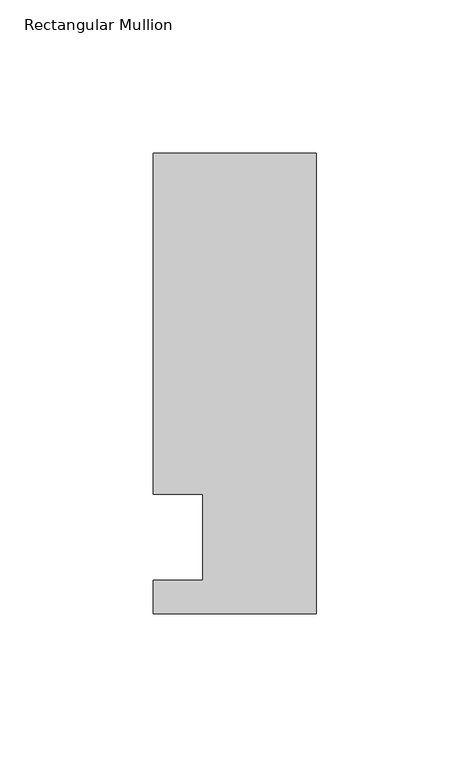
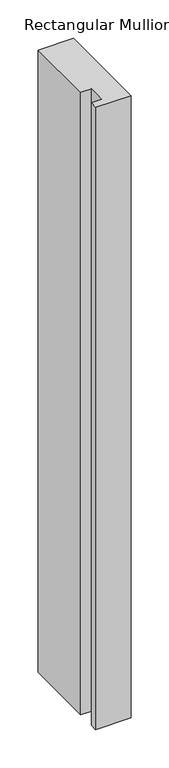
"""IFC4 building model written with IfcOpenShell, lengths in millimetres: member geometry, Rectangular Mullion."""

from ifc_helpers import new_model, si_unit, frame, origin, place, context, project, spatial, polyline, outline, extrude, source, transform, mapped, element, save


def rectangular_mullion_b8d01a3b(model_context):
    return source(origin(), model_context, "Body", "SweptSolid", [
        extrude(outline(polyline([(0.0, -25.0), (-53.0, -25.0), (-53.0, -14.0), (-37.0, -14.0), (-37.0, 14.0), (-53.0, 14.0), (-53.0, 125.0), (0.0, 125.0), (0.0, -25.0)])), frame((0.0, 0.0, -990.6623342), z_axis=(0.0, 0.0, 1.0), x_axis=(1.0, 0.0, 0.0)), (0.0, 0.0, 1.0), 990.6623342),
    ])


if __name__ == "__main__":
    model = new_model("IFC4")
    model_context = context("Model", 3, world=origin())
    ifc_project = project(units=[si_unit("LENGTHUNIT", "METRE", prefix="MILLI")], contexts=[model_context])
    site = spatial("IfcSite", under=ifc_project)
    building = spatial("IfcBuilding", under=site)
    placement = place(None, origin())
    rectangular_mullion_shape = rectangular_mullion_b8d01a3b(model_context)
    element("IfcMember", 1, ObjectType="Rectangular Mullion", at=placement, inside=building, context=model_context, shape_type="MappedRepresentation", body=[
        mapped(rectangular_mullion_shape, transform((0.0, 0.0, 0.0), x_axis=(1.0, 0.0, 0.0), y_axis=(0.0, 1.0, 0.0), z_axis=(0.0, 0.0, 1.0))),
    ])
    save(model, "model.ifc")
